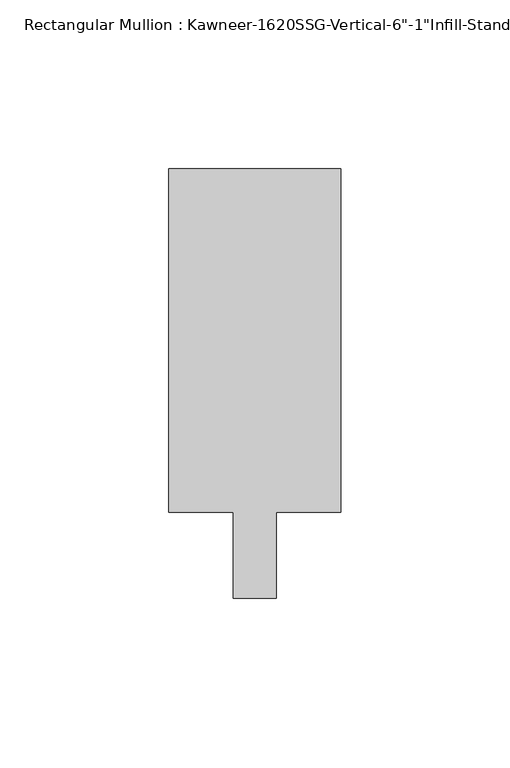
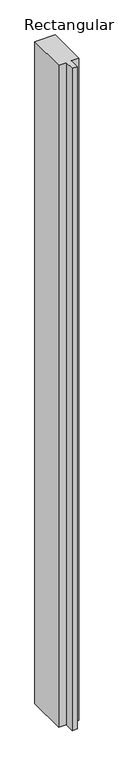
"""IFC4 building model written with IfcOpenShell, lengths in millimetres: member geometry."""

from ifc_helpers import new_model, si_unit, frame, origin, place, context, project, spatial, polyline, outline, extrude, source, transform, mapped, element, save


def member_f43f71c4(model_context):
    return source(origin(), model_context, "Body", "SweptSolid", [
        extrude(outline(polyline([(25.4, 114.3), (25.4, 12.7), (6.35, 12.7), (6.35, -12.7), (-6.35, -12.7), (-6.35, 12.7), (-25.4, 12.7), (-25.4, 114.3), (25.4, 114.3)])), frame((0.0, 0.0, -1739.9), z_axis=(0.0, 0.0, 1.0), x_axis=(1.0, 0.0, 0.0)), (0.0, 0.0, 1.0), 1739.9),
    ])


if __name__ == "__main__":
    model = new_model("IFC4")
    model_context = context("Model", 3, world=origin())
    ifc_project = project(units=[si_unit("LENGTHUNIT", "METRE", prefix="MILLI")], contexts=[model_context])
    site = spatial("IfcSite", under=ifc_project)
    building = spatial("IfcBuilding", under=site)
    placement = place(None, origin())
    member_shape = member_f43f71c4(model_context)
    element("IfcMember", 1, ObjectType="Rectangular Mullion : Kawneer-1620SSG-Vertical-6\"-1\"Infill-Standard", at=placement, inside=building, context=model_context, shape_type="MappedRepresentation", body=[
        mapped(member_shape, transform((0.0, 0.0, 0.0), x_axis=(1.0, 0.0, 0.0), y_axis=(0.0, 1.0, 0.0), z_axis=(0.0, 0.0, 1.0))),
    ])
    save(model, "model.ifc")
